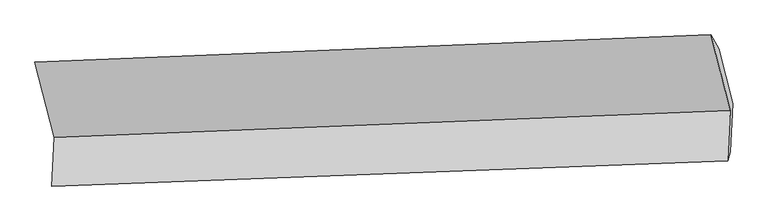
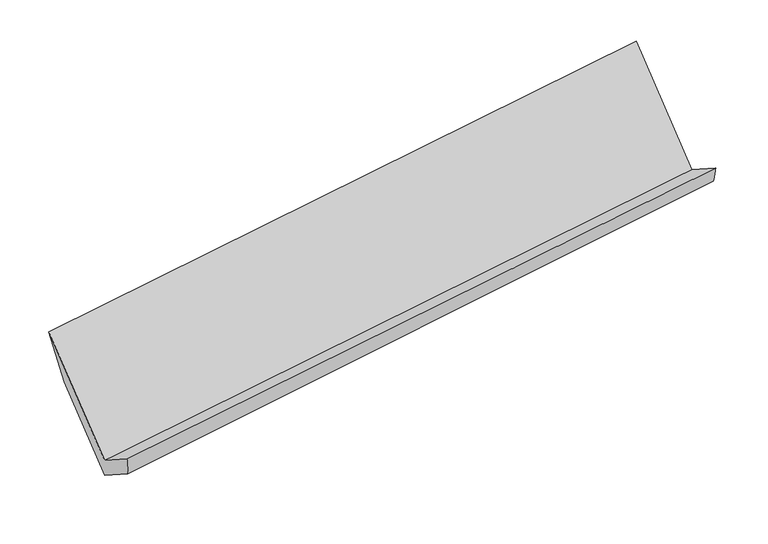
"""IFC4 building model written with IfcOpenShell, lengths in millimetres: proxy geometry."""

from ifc_helpers import new_model, si_unit, frame, origin, place, context, project, spatial, source, transform, mapped, element, save
from ifc_brep_helpers import plane_surface, spline_surface, advanced_brep


def generic_models_ddae251b(model_context):
    return source(origin(), model_context, "Body", "AdvancedBrep", [
        advanced_brep(
        [(-5056.1676233, -1649.1476831, 1403.0517585), (-5072.2726398, -1970.4576686, 1614.1509184), (-616.9276287, -1804.0504219, 2234.6817885), (-600.1947994, -1470.2149907, 2015.3534692), (-5053.7703938, -1941.7432978, 1473.6264663), (-599.4593788, -1746.230835, 2092.8092819), (-5037.536172, -1617.8555457, 1260.8337257), (-583.4344278, -1426.5182314, 1882.7595944), (-5129.1727839, -1255.3584715, 1805.5925041), (-675.0710398, -1064.0211572, 2427.5183728), (-5182.0985494, -1150.9887999, 2151.6824205), (-726.1257255, -972.0561075, 2763.9841313)],
        [
            (0, 1),
            (1, 2),
            (2, 3),
            (3, 0),
            (1, 4),
            (4, 5),
            (5, 2),
            (4, 6),
            (6, 7),
            (7, 5),
            (6, 8),
            (8, 9),
            (9, 7),
            (8, 10),
            (10, 11),
            (11, 9),
            (10, 0),
            (3, 11),
        ],
        [
            plane_surface(frame((-5064.2201316, -1809.8026759, 1508.6013384), z_axis=(-0.1353921361872183, 0.5487670613937706, 0.8249385927376094), x_axis=(-0.04185418405256692, -0.8350297093421784, 0.5486106194681352))),
            spline_surface(1, 1, [[(-5072.2726398, -1970.4576686, 1614.1509184), (-616.9276287, -1804.0504219, 2234.6817885)], [(-5053.7703938, -1941.7432978, 1473.6264663), (-599.4593788, -1746.230835, 2092.8092819)]], [2, 2], [2, 2], [0.0, 1.0], [0.0, 1.0]),
            plane_surface(frame((-5045.6532829, -1779.7994218, 1367.230096), z_axis=(0.13869004865738224, -0.548631554421012, -0.824480738342017), x_axis=(0.04185418405256702, 0.8350297093421782, -0.5486106194681354))),
            plane_surface(frame((-5083.3544779, -1436.6070086, 1533.2131149), z_axis=(0.04075510532583302, 0.8349830096345825, -0.5487644257889307), x_axis=(-0.13869004865737689, 0.5486315544210215, 0.8244807383420113))),
            spline_surface(1, 1, [[(-5129.1727839, -1255.3584715, 1805.5925041), (-675.0710398, -1064.0211572, 2427.5183728)], [(-5182.0985494, -1150.9887999, 2151.6824205), (-726.1257255, -972.0561075, 2763.9841313)]], [2, 2], [2, 2], [0.0, 1.0], [0.0, 1.0]),
            plane_surface(frame((-5119.1330864, -1400.0682415, 1777.3670895), z_axis=(-0.041854184052568084, -0.8350297093421746, 0.548610619468141), x_axis=(0.1386900486573745, -0.548631554421018, -0.8244807383420141))),
            plane_surface(frame((-633.5355, -1413.8486239, 2236.1844397), z_axis=(0.989451008226638, 0.04157886493763652, 0.1387728370747957), x_axis=(-0.14482601819464594, 0.2608757996502301, 0.9544470868574838))),
            plane_surface(frame((-5088.5030271, -1597.5919111, 1618.1562989), z_axis=(-0.9894510082266375, -0.041578864937619565, -0.13877283707480406), x_axis=(-0.1386900486573722, 0.5486315544210183, 0.8244807383420143))),
        ],
        [
            (0, [[1, 2, 3, 4]]),
            (1, [[5, 6, 7, -2]]),
            (2, [[8, 9, 10, -6]]),
            (3, [[11, 12, 13, -9]]),
            (4, [[14, 15, 16, -12]]),
            (5, [[17, -4, 18, -15]]),
            (6, [[-16, -18, -3, -7, -10, -13]]),
            (7, [[-17, -14, -11, -8, -5, -1]]),
        ],
    ),
    ])


if __name__ == "__main__":
    model = new_model("IFC4")
    model_context = context("Model", 3, world=origin())
    ifc_project = project(units=[si_unit("LENGTHUNIT", "METRE", prefix="MILLI")], contexts=[model_context])
    site = spatial("IfcSite", under=ifc_project)
    building = spatial("IfcBuilding", under=site)
    placement = place(None, origin())
    generic_models_shape = generic_models_ddae251b(model_context)
    element("IfcBuildingElementProxy", 1, Name="Generic Models", at=placement, inside=building, context=model_context, shape_type="MappedRepresentation", body=[
        mapped(generic_models_shape, transform((0.0, 0.0, 0.0), x_axis=(1.0, 0.0, 0.0), y_axis=(0.0, 1.0, 0.0), z_axis=(0.0, 0.0, 1.0))),
    ])
    save(model, "model.ifc")
